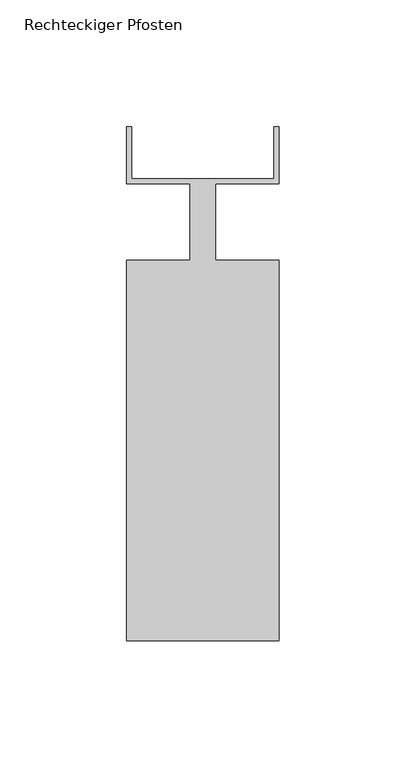
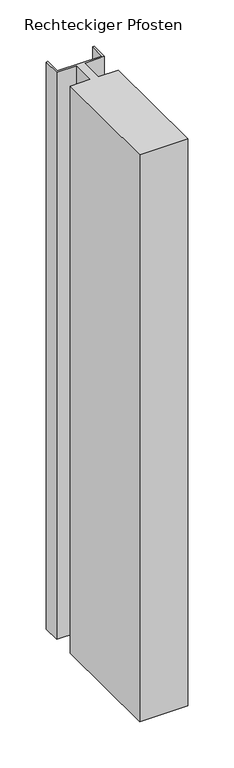
"""IFC4 building model written with IfcOpenShell, lengths in millimetres: member geometry, Rechteckiger Pfosten."""

from ifc_helpers import new_model, si_unit, frame, origin, place, context, project, spatial, polyline, outline, extrude, source, transform, mapped, element, save


def rechteckiger_pfosten_54687d77(model_context):
    return source(origin(), model_context, "Body", "SweptSolid", [
        extrude(outline(polyline([(-2.0, 37.5), (0.0, 37.5), (0.0, 15.0), (-25.0, 15.0), (-25.0, -15.0), (0.0, -15.0), (0.0, -165.0), (-60.0, -165.0), (-60.0, -15.0), (-35.0, -15.0), (-35.0, 15.0), (-60.0, 15.0), (-60.0, 37.5), (-58.0, 37.5), (-58.0, 17.0), (-2.0, 17.0), (-2.0, 37.5)])), frame((0.0, 0.0, -750.0), z_axis=(0.0, 0.0, 1.0), x_axis=(1.0, 0.0, 0.0)), (0.0, 0.0, 1.0), 750.0),
    ])


if __name__ == "__main__":
    model = new_model("IFC4")
    model_context = context("Model", 3, world=origin())
    ifc_project = project(units=[si_unit("LENGTHUNIT", "METRE", prefix="MILLI")], contexts=[model_context])
    site = spatial("IfcSite", under=ifc_project)
    building = spatial("IfcBuilding", under=site)
    placement = place(None, origin())
    rechteckiger_pfosten_shape = rechteckiger_pfosten_54687d77(model_context)
    element("IfcMember", 1, ObjectType="Rechteckiger Pfosten", at=placement, inside=building, context=model_context, shape_type="MappedRepresentation", body=[
        mapped(rechteckiger_pfosten_shape, transform((0.0, 0.0, 0.0), x_axis=(1.0, 0.0, 0.0), y_axis=(0.0, 1.0, 0.0), z_axis=(0.0, 0.0, 1.0))),
    ])
    save(model, "model.ifc")
